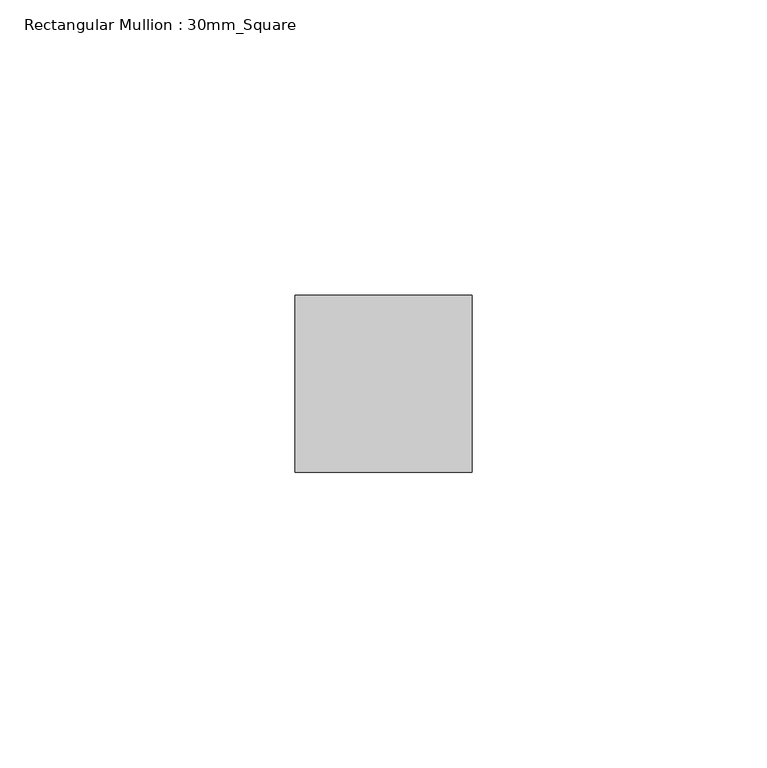
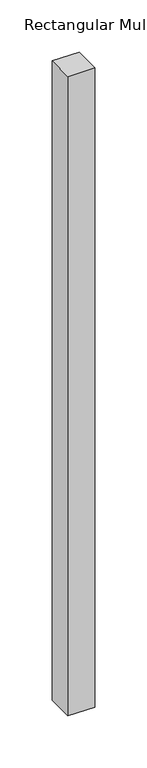
"""IFC4 building model written with IfcOpenShell, lengths in millimetres: member geometry, Rectangular Mullion : 30mm_Square."""

from ifc_helpers import new_model, si_unit, frame, origin, place, context, project, spatial, polyline, outline, extrude, source, transform, mapped, element, save


def rectangular_mullion_30mm_square_a53f8197(model_context):
    return source(origin(), model_context, "Body", "SweptSolid", [
        extrude(outline(polyline([(0.0, 15.0), (0.0, -15.0), (-30.0, -15.0), (-30.0, 15.0), (0.0, 15.0)])), frame((0.0, 0.0, -749.9999997), z_axis=(0.0, 0.0, 1.0), x_axis=(1.0, 0.0, 0.0)), (0.0, 0.0, 1.0), 749.9999997),
    ])


if __name__ == "__main__":
    model = new_model("IFC4")
    model_context = context("Model", 3, world=origin())
    ifc_project = project(units=[si_unit("LENGTHUNIT", "METRE", prefix="MILLI")], contexts=[model_context])
    site = spatial("IfcSite", under=ifc_project)
    building = spatial("IfcBuilding", under=site)
    placement = place(None, origin())
    rectangular_mullion_30mm_square_shape = rectangular_mullion_30mm_square_a53f8197(model_context)
    element("IfcMember", 1, ObjectType="Rectangular Mullion : 30mm_Square", at=placement, inside=building, context=model_context, shape_type="MappedRepresentation", body=[
        mapped(rectangular_mullion_30mm_square_shape, transform((0.0, 0.0, 0.0), x_axis=(1.0, 0.0, 0.0), y_axis=(0.0, 1.0, 0.0), z_axis=(0.0, 0.0, 1.0))),
    ])
    save(model, "model.ifc")
